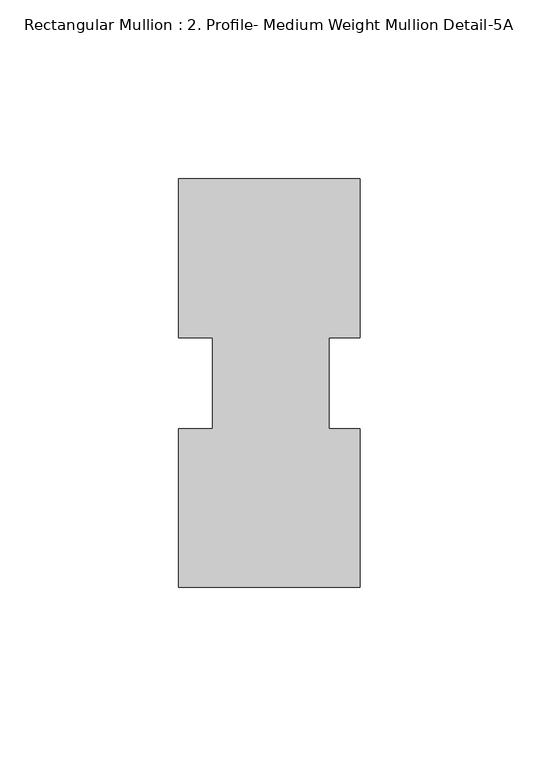
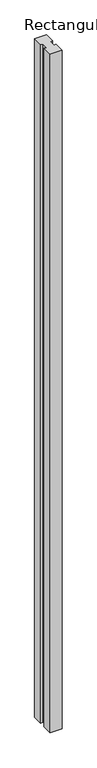
"""IFC4 building model written with IfcOpenShell, lengths in millimetres: member geometry, Rectangular Mullion : 2. Profile- Medium Weight Mullion Detail-5A."""

from ifc_helpers import new_model, si_unit, frame, origin, place, context, project, spatial, polyline, outline, extrude, source, transform, mapped, element, save


def rectangular_mullion_2_profile_medium_weight_mullion_detail_a6897674(model_context):
    return source(origin(), model_context, "Body", "SweptSolid", [
        extrude(outline(polyline([(15.875, -57.1388465), (-34.925, -57.1388465), (-34.925, -12.7438492), (-25.4, -12.7438492), (-25.4, 12.7438492), (-34.925, 12.7438492), (-34.925, 57.1611535), (15.875, 57.1611535), (15.875, 12.7438492), (7.14375, 12.7438492), (7.14375, -12.7438492), (15.875, -12.7438492), (15.875, -57.1388465)])), frame((0.0, 0.0, -3048.0), z_axis=(0.0, 0.0, 1.0), x_axis=(1.0, 0.0, 0.0)), (0.0, 0.0, 1.0), 3048.0),
    ])


if __name__ == "__main__":
    model = new_model("IFC4")
    model_context = context("Model", 3, world=origin())
    ifc_project = project(units=[si_unit("LENGTHUNIT", "METRE", prefix="MILLI")], contexts=[model_context])
    site = spatial("IfcSite", under=ifc_project)
    building = spatial("IfcBuilding", under=site)
    placement = place(None, origin())
    rectangular_mullion_2_profile_medium_weight_mullion_detail_shape = rectangular_mullion_2_profile_medium_weight_mullion_detail_a6897674(model_context)
    element("IfcMember", 1, ObjectType="Rectangular Mullion : 2. Profile- Medium Weight Mullion Detail-5A", at=placement, inside=building, context=model_context, shape_type="MappedRepresentation", body=[
        mapped(rectangular_mullion_2_profile_medium_weight_mullion_detail_shape, transform((0.0, 0.0, 0.0), x_axis=(1.0, 0.0, 0.0), y_axis=(0.0, 1.0, 0.0), z_axis=(0.0, 0.0, 1.0))),
    ])
    save(model, "model.ifc")
